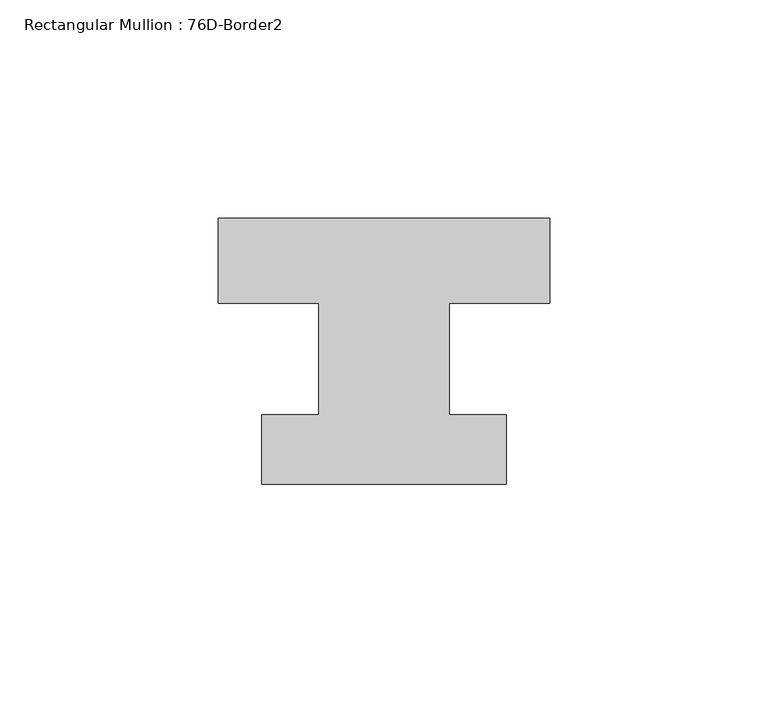
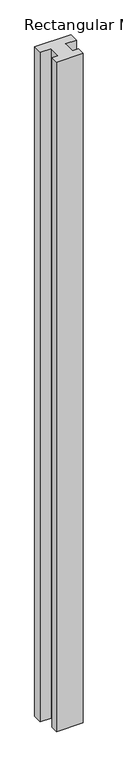
"""IFC4 building model written with IfcOpenShell, lengths in millimetres: member geometry, Rectangular Mullion : 76D-Border2."""

from ifc_helpers import new_model, si_unit, frame, origin, place, context, project, spatial, polyline, outline, extrude, source, transform, mapped, element, save


def rectangular_mullion_76d_border2_d0881513(model_context):
    return source(origin(), model_context, "Body", "SweptSolid", [
        extrude(outline(polyline([(0.0, 20.0), (0.0, 0.5), (-23.0, 0.5), (-23.0, -25.0), (-10.0, -25.0), (-10.0, -41.0), (-66.0, -41.0), (-66.0, -25.0), (-53.0, -25.0), (-53.0, 0.5), (-76.0, 0.5), (-76.0, 20.0), (0.0, 20.0)])), frame((0.0, 0.0, -1477.534293), z_axis=(0.0, 0.0, 1.0), x_axis=(1.0, 0.0, 0.0)), (0.0, 0.0, 1.0), 1477.534293),
    ])


if __name__ == "__main__":
    model = new_model("IFC4")
    model_context = context("Model", 3, world=origin())
    ifc_project = project(units=[si_unit("LENGTHUNIT", "METRE", prefix="MILLI")], contexts=[model_context])
    site = spatial("IfcSite", under=ifc_project)
    building = spatial("IfcBuilding", under=site)
    placement = place(None, origin())
    rectangular_mullion_76d_border2_shape = rectangular_mullion_76d_border2_d0881513(model_context)
    element("IfcMember", 1, ObjectType="Rectangular Mullion : 76D-Border2", at=placement, inside=building, context=model_context, shape_type="MappedRepresentation", body=[
        mapped(rectangular_mullion_76d_border2_shape, transform((0.0, 0.0, 0.0), x_axis=(1.0, 0.0, 0.0), y_axis=(0.0, 1.0, 0.0), z_axis=(0.0, 0.0, 1.0))),
    ])
    save(model, "model.ifc")
